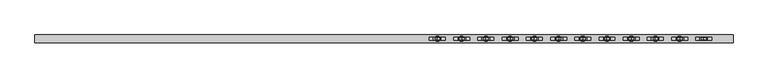
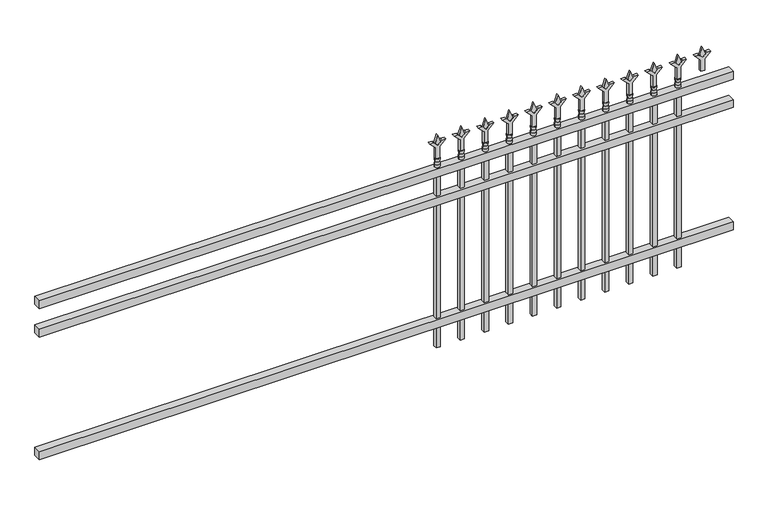
"""IFC4 building model written with IfcOpenShell, lengths in millimetres: railing geometry."""

from ifc_helpers import new_model, si_unit, frame, origin, place, context, project, spatial, polyline, circle_curve, outline, extrude, source, transform, mapped, element, save
from ifc_brep_helpers import plane_surface, cylinder_surface, revolved_surface, advanced_brep


def railing_b0672927(model_context):
    return source(origin(), model_context, "Body", "SolidModel", [
        extrude(outline(polyline([(-85729.318087, -3091.1195174), (-85729.318087, -3056.1945174), (-82579.718087, -3056.1945174), (-82579.718087, -3091.1195174), (-85729.318087, -3091.1195174)])), frame((0.0, 0.0, 876.3), z_axis=(0.0, 0.0, 1.0), x_axis=(1.0, 0.0, 0.0)), (0.0, 0.0, 1.0), 38.1),
        extrude(outline(polyline([(-85729.318087, -3091.1195174), (-85729.318087, -3056.1945174), (-82579.718087, -3056.1945174), (-82579.718087, -3091.1195174), (-85729.318087, -3091.1195174)])), frame((0.0, 0.0, 739.775), z_axis=(0.0, 0.0, 1.0), x_axis=(1.0, 0.0, 0.0)), (0.0, 0.0, 1.0), 38.1),
        extrude(outline(polyline([(-85729.318087, -3091.1195174), (-85729.318087, -3056.1945174), (-82579.718087, -3056.1945174), (-82579.718087, -3091.1195174), (-85729.318087, -3091.1195174)])), frame((0.0, 0.0, 152.4), z_axis=(0.0, 0.0, 1.0), x_axis=(1.0, 0.0, 0.0)), (0.0, 0.0, 1.0), 38.1),
        extrude(outline(polyline([(1031.08125, -82808.8472536), (1066.8, -82820.7535036), (1031.08125, -82832.6597536), (1019.175, -82820.7535036), (1031.08125, -82808.8472536)])), frame((0.0, -3078.4195174, 0.0), z_axis=(0.0, 1.0, 0.0), x_axis=(0.0, 0.0, 1.0)), (0.0, 0.0, 1.0), 9.525),
        extrude(outline(polyline([(955.675, -82812.0222536), (1009.9457378, -82812.0222536), (1037.1355122, -82784.8324791), (1037.1355122, -82802.7929914), (1019.175, -82820.7535036), (1037.1355122, -82838.7140159), (1037.1355122, -82856.6745281), (1009.9457378, -82829.4847536), (955.675, -82829.4847536), (955.675, -82812.0222536)])), frame((0.0, -3080.0070174, 0.0), z_axis=(0.0, 1.0, 0.0), x_axis=(0.0, 0.0, 1.0)), (0.0, 0.0, 1.0), 12.7),
        advanced_brep(
        [(-82808.8472536, -3073.6570174, 927.1), (-82832.6597536, -3073.6570174, 927.1), (-82832.6597536, -3073.6570174, 914.4), (-82808.8472536, -3073.6570174, 914.4), (-82811.0525855, -3073.6570174, 939.6070585), (-82830.4544218, -3073.6570174, 939.6070585), (-82808.8472536, -3073.6570174, 955.675), (-82832.6597536, -3073.6570174, 955.675), (-82820.7535036, -3073.6570174, 955.675), (-82820.7535036, -3073.6570174, 914.4)],
        [
            (0, 1, circle_curve(frame((-82820.7535036, -3073.6570174, 927.1), z_axis=(0.0, 0.0, -1.0), x_axis=(-1.0, 0.0, 0.0)), 11.90625)),
            (1, 2),
            (2, 3, circle_curve(frame((-82820.7535036, -3073.6570174, 914.4), z_axis=(0.0, 0.0, 1.0), x_axis=(-1.0, 0.0, 0.0)), 11.90625)),
            (3, 0),
            (1, 0, circle_curve(frame((-82820.7535036, -3073.6570174, 927.1), z_axis=(0.0, 0.0, -1.0), x_axis=(-1.0, 0.0, 0.0)), 11.90625)),
            (3, 2, circle_curve(frame((-82820.7535036, -3073.6570174, 914.4), z_axis=(0.0, 0.0, 1.0), x_axis=(-1.0, 0.0, 0.0)), 11.90625)),
            (4, 5, circle_curve(frame((-82820.7535036, -3073.6570174, 939.6070585), z_axis=(0.0, 0.0, -1.0), x_axis=(-1.0, 0.0, 0.0)), 9.7009181)),
            (5, 1),
            (0, 4),
            (5, 4, circle_curve(frame((-82820.7535036, -3073.6570174, 939.6070585), z_axis=(0.0, 0.0, -1.0), x_axis=(-1.0, 0.0, 0.0)), 9.7009181)),
            (6, 7, circle_curve(frame((-82820.7535036, -3073.6570174, 955.675), z_axis=(0.0, 0.0, -1.0), x_axis=(-1.0, 0.0, 0.0)), 11.90625)),
            (7, 5),
            (4, 6),
            (7, 6, circle_curve(frame((-82820.7535036, -3073.6570174, 955.675), z_axis=(0.0, 0.0, -1.0), x_axis=(-1.0, 0.0, 0.0)), 11.90625)),
            (8, 7),
            (6, 8),
            (2, 9),
            (9, 3),
        ],
        [
            cylinder_surface(frame((-82820.7535036, -3073.6570174, 914.4), z_axis=(0.0, 0.0, 1.0), x_axis=(-1.0, 0.0, 0.0)), 11.90625),
            revolved_surface(polyline([(-82832.6597536, -3073.6570174, 927.1), (-82830.4544218, -3073.6570174, 939.6070585)]), (-82820.7535036, -3073.6570174, 914.4), (0.0, 0.0, 1.0)),
            revolved_surface(polyline([(-82830.4544218, -3073.6570174, 939.6070585), (-82832.6597536, -3073.6570174, 955.675)]), (-82820.7535036, -3073.6570174, 914.4), (0.0, 0.0, 1.0)),
            plane_surface(frame((-82820.7535036, -3073.6570174, 955.675), z_axis=(0.0, 0.0, 1.0), x_axis=(-1.0, 0.0, 0.0))),
            plane_surface(frame((-82820.7535036, -3073.6570174, 914.4), z_axis=(0.0, 0.0, -1.0), x_axis=(-1.0, 0.0, 0.0))),
        ],
        [
            (0, [[1, 2, 3, 4]]),
            (0, [[5, -4, 6, -2]]),
            (1, [[7, 8, -1, 9]]),
            (1, [[10, -9, -5, -8]]),
            (2, [[11, 12, -7, 13]]),
            (2, [[14, -13, -10, -12]]),
            (3, [[15, -11, 16]]),
            (3, [[-16, -14, -15]]),
            (4, [[-3, 17, 18]]),
            (4, [[-6, -18, -17]]),
        ],
    ),
        extrude(outline(polyline([(-82830.2785036, -3064.1320174), (-82811.2285036, -3064.1320174), (-82811.2285036, -3083.1820174), (-82830.2785036, -3083.1820174), (-82830.2785036, -3064.1320174)])), frame((0.0, 0.0, 50.8), z_axis=(0.0, 0.0, 1.0), x_axis=(1.0, 0.0, 0.0)), (0.0, 0.0, 1.0), 863.6),
        extrude(outline(polyline([(1031.08125, -82918.1201703), (1066.8, -82930.0264203), (1031.08125, -82941.9326703), (1019.175, -82930.0264203), (1031.08125, -82918.1201703)])), frame((0.0, -3078.4195174, 0.0), z_axis=(0.0, 1.0, 0.0), x_axis=(0.0, 0.0, 1.0)), (0.0, 0.0, 1.0), 9.525),
        extrude(outline(polyline([(955.675, -82921.2951703), (1009.9457378, -82921.2951703), (1037.1355122, -82894.1053958), (1037.1355122, -82912.0659081), (1019.175, -82930.0264203), (1037.1355122, -82947.9869325), (1037.1355122, -82965.9474448), (1009.9457378, -82938.7576703), (955.675, -82938.7576703), (955.675, -82921.2951703)])), frame((0.0, -3080.0070174, 0.0), z_axis=(0.0, 1.0, 0.0), x_axis=(0.0, 0.0, 1.0)), (0.0, 0.0, 1.0), 12.7),
        advanced_brep(
        [(-82918.1201703, -3073.6570174, 927.1), (-82941.9326703, -3073.6570174, 927.1), (-82941.9326703, -3073.6570174, 914.4), (-82918.1201703, -3073.6570174, 914.4), (-82920.3255022, -3073.6570174, 939.6070585), (-82939.7273384, -3073.6570174, 939.6070585), (-82918.1201703, -3073.6570174, 955.675), (-82941.9326703, -3073.6570174, 955.675), (-82930.0264203, -3073.6570174, 955.675), (-82930.0264203, -3073.6570174, 914.4)],
        [
            (0, 1, circle_curve(frame((-82930.0264203, -3073.6570174, 927.1), z_axis=(0.0, 0.0, -1.0), x_axis=(-1.0, 0.0, 0.0)), 11.90625)),
            (1, 2),
            (2, 3, circle_curve(frame((-82930.0264203, -3073.6570174, 914.4), z_axis=(0.0, 0.0, 1.0), x_axis=(-1.0, 0.0, 0.0)), 11.90625)),
            (3, 0),
            (1, 0, circle_curve(frame((-82930.0264203, -3073.6570174, 927.1), z_axis=(0.0, 0.0, -1.0), x_axis=(-1.0, 0.0, 0.0)), 11.90625)),
            (3, 2, circle_curve(frame((-82930.0264203, -3073.6570174, 914.4), z_axis=(0.0, 0.0, 1.0), x_axis=(-1.0, 0.0, 0.0)), 11.90625)),
            (4, 5, circle_curve(frame((-82930.0264203, -3073.6570174, 939.6070585), z_axis=(0.0, 0.0, -1.0), x_axis=(-1.0, 0.0, 0.0)), 9.7009181)),
            (5, 1),
            (0, 4),
            (5, 4, circle_curve(frame((-82930.0264203, -3073.6570174, 939.6070585), z_axis=(0.0, 0.0, -1.0), x_axis=(-1.0, 0.0, 0.0)), 9.7009181)),
            (6, 7, circle_curve(frame((-82930.0264203, -3073.6570174, 955.675), z_axis=(0.0, 0.0, -1.0), x_axis=(-1.0, 0.0, 0.0)), 11.90625)),
            (7, 5),
            (4, 6),
            (7, 6, circle_curve(frame((-82930.0264203, -3073.6570174, 955.675), z_axis=(0.0, 0.0, -1.0), x_axis=(-1.0, 0.0, 0.0)), 11.90625)),
            (8, 7),
            (6, 8),
            (2, 9),
            (9, 3),
        ],
        [
            cylinder_surface(frame((-82930.0264203, -3073.6570174, 914.4), z_axis=(0.0, 0.0, 1.0), x_axis=(-1.0, 0.0, 0.0)), 11.90625),
            revolved_surface(polyline([(-82941.9326703, -3073.6570174, 927.1), (-82939.7273384, -3073.6570174, 939.6070585)]), (-82930.0264203, -3073.6570174, 914.4), (0.0, 0.0, 1.0)),
            revolved_surface(polyline([(-82939.7273384, -3073.6570174, 939.6070585), (-82941.9326703, -3073.6570174, 955.675)]), (-82930.0264203, -3073.6570174, 914.4), (0.0, 0.0, 1.0)),
            plane_surface(frame((-82930.0264203, -3073.6570174, 955.675), z_axis=(0.0, 0.0, 1.0), x_axis=(-1.0, 0.0, 0.0))),
            plane_surface(frame((-82930.0264203, -3073.6570174, 914.4), z_axis=(0.0, 0.0, -1.0), x_axis=(-1.0, 0.0, 0.0))),
        ],
        [
            (0, [[1, 2, 3, 4]]),
            (0, [[5, -4, 6, -2]]),
            (1, [[7, 8, -1, 9]]),
            (1, [[10, -9, -5, -8]]),
            (2, [[11, 12, -7, 13]]),
            (2, [[14, -13, -10, -12]]),
            (3, [[15, -11, 16]]),
            (3, [[-16, -14, -15]]),
            (4, [[-3, 17, 18]]),
            (4, [[-6, -18, -17]]),
        ],
    ),
        extrude(outline(polyline([(-82939.5514203, -3064.1320174), (-82920.5014203, -3064.1320174), (-82920.5014203, -3083.1820174), (-82939.5514203, -3083.1820174), (-82939.5514203, -3064.1320174)])), frame((0.0, 0.0, 50.8), z_axis=(0.0, 0.0, 1.0), x_axis=(1.0, 0.0, 0.0)), (0.0, 0.0, 1.0), 863.6),
        extrude(outline(polyline([(1031.08125, -83027.393087), (1066.8, -83039.299337), (1031.08125, -83051.205587), (1019.175, -83039.299337), (1031.08125, -83027.393087)])), frame((0.0, -3078.4195174, 0.0), z_axis=(0.0, 1.0, 0.0), x_axis=(0.0, 0.0, 1.0)), (0.0, 0.0, 1.0), 9.525),
        extrude(outline(polyline([(955.675, -83030.568087), (1009.9457378, -83030.568087), (1037.1355122, -83003.3783125), (1037.1355122, -83021.3388247), (1019.175, -83039.299337), (1037.1355122, -83057.2598492), (1037.1355122, -83075.2203614), (1009.9457378, -83048.030587), (955.675, -83048.030587), (955.675, -83030.568087)])), frame((0.0, -3080.0070174, 0.0), z_axis=(0.0, 1.0, 0.0), x_axis=(0.0, 0.0, 1.0)), (0.0, 0.0, 1.0), 12.7),
        advanced_brep(
        [(-83027.393087, -3073.6570174, 927.1), (-83051.205587, -3073.6570174, 927.1), (-83051.205587, -3073.6570174, 914.4), (-83027.393087, -3073.6570174, 914.4), (-83029.5984188, -3073.6570174, 939.6070585), (-83049.0002551, -3073.6570174, 939.6070585), (-83027.393087, -3073.6570174, 955.675), (-83051.205587, -3073.6570174, 955.675), (-83039.299337, -3073.6570174, 955.675), (-83039.299337, -3073.6570174, 914.4)],
        [
            (0, 1, circle_curve(frame((-83039.299337, -3073.6570174, 927.1), z_axis=(0.0, 0.0, -1.0), x_axis=(-1.0, 0.0, 0.0)), 11.90625)),
            (1, 2),
            (2, 3, circle_curve(frame((-83039.299337, -3073.6570174, 914.4), z_axis=(0.0, 0.0, 1.0), x_axis=(-1.0, 0.0, 0.0)), 11.90625)),
            (3, 0),
            (1, 0, circle_curve(frame((-83039.299337, -3073.6570174, 927.1), z_axis=(0.0, 0.0, -1.0), x_axis=(-1.0, 0.0, 0.0)), 11.90625)),
            (3, 2, circle_curve(frame((-83039.299337, -3073.6570174, 914.4), z_axis=(0.0, 0.0, 1.0), x_axis=(-1.0, 0.0, 0.0)), 11.90625)),
            (4, 5, circle_curve(frame((-83039.299337, -3073.6570174, 939.6070585), z_axis=(0.0, 0.0, -1.0), x_axis=(-1.0, 0.0, 0.0)), 9.7009181)),
            (5, 1),
            (0, 4),
            (5, 4, circle_curve(frame((-83039.299337, -3073.6570174, 939.6070585), z_axis=(0.0, 0.0, -1.0), x_axis=(-1.0, 0.0, 0.0)), 9.7009181)),
            (6, 7, circle_curve(frame((-83039.299337, -3073.6570174, 955.675), z_axis=(0.0, 0.0, -1.0), x_axis=(-1.0, 0.0, 0.0)), 11.90625)),
            (7, 5),
            (4, 6),
            (7, 6, circle_curve(frame((-83039.299337, -3073.6570174, 955.675), z_axis=(0.0, 0.0, -1.0), x_axis=(-1.0, 0.0, 0.0)), 11.90625)),
            (8, 7),
            (6, 8),
            (2, 9),
            (9, 3),
        ],
        [
            cylinder_surface(frame((-83039.299337, -3073.6570174, 914.4), z_axis=(0.0, 0.0, 1.0), x_axis=(-1.0, 0.0, 0.0)), 11.90625),
            revolved_surface(polyline([(-83051.205587, -3073.6570174, 927.1), (-83049.0002551, -3073.6570174, 939.6070585)]), (-83039.299337, -3073.6570174, 914.4), (0.0, 0.0, 1.0)),
            revolved_surface(polyline([(-83049.0002551, -3073.6570174, 939.6070585), (-83051.205587, -3073.6570174, 955.675)]), (-83039.299337, -3073.6570174, 914.4), (0.0, 0.0, 1.0)),
            plane_surface(frame((-83039.299337, -3073.6570174, 955.675), z_axis=(0.0, 0.0, 1.0), x_axis=(-1.0, 0.0, 0.0))),
            plane_surface(frame((-83039.299337, -3073.6570174, 914.4), z_axis=(0.0, 0.0, -1.0), x_axis=(-1.0, 0.0, 0.0))),
        ],
        [
            (0, [[1, 2, 3, 4]]),
            (0, [[5, -4, 6, -2]]),
            (1, [[7, 8, -1, 9]]),
            (1, [[10, -9, -5, -8]]),
            (2, [[11, 12, -7, 13]]),
            (2, [[14, -13, -10, -12]]),
            (3, [[15, -11, 16]]),
            (3, [[-16, -14, -15]]),
            (4, [[-3, 17, 18]]),
            (4, [[-6, -18, -17]]),
        ],
    ),
        extrude(outline(polyline([(-83048.824337, -3064.1320174), (-83029.774337, -3064.1320174), (-83029.774337, -3083.1820174), (-83048.824337, -3083.1820174), (-83048.824337, -3064.1320174)])), frame((0.0, 0.0, 50.8), z_axis=(0.0, 0.0, 1.0), x_axis=(1.0, 0.0, 0.0)), (0.0, 0.0, 1.0), 863.6),
        extrude(outline(polyline([(1031.08125, -83136.6660036), (1066.8, -83148.5722536), (1031.08125, -83160.4785036), (1019.175, -83148.5722536), (1031.08125, -83136.6660036)])), frame((0.0, -3078.4195174, 0.0), z_axis=(0.0, 1.0, 0.0), x_axis=(0.0, 0.0, 1.0)), (0.0, 0.0, 1.0), 9.525),
        extrude(outline(polyline([(955.675, -83139.8410036), (1009.9457378, -83139.8410036), (1037.1355122, -83112.6512291), (1037.1355122, -83130.6117414), (1019.175, -83148.5722536), (1037.1355122, -83166.5327659), (1037.1355122, -83184.4932781), (1009.9457378, -83157.3035036), (955.675, -83157.3035036), (955.675, -83139.8410036)])), frame((0.0, -3080.0070174, 0.0), z_axis=(0.0, 1.0, 0.0), x_axis=(0.0, 0.0, 1.0)), (0.0, 0.0, 1.0), 12.7),
        advanced_brep(
        [(-83136.6660036, -3073.6570174, 927.1), (-83160.4785036, -3073.6570174, 927.1), (-83160.4785036, -3073.6570174, 914.4), (-83136.6660036, -3073.6570174, 914.4), (-83138.8713355, -3073.6570174, 939.6070585), (-83158.2731718, -3073.6570174, 939.6070585), (-83136.6660036, -3073.6570174, 955.675), (-83160.4785036, -3073.6570174, 955.675), (-83148.5722536, -3073.6570174, 955.675), (-83148.5722536, -3073.6570174, 914.4)],
        [
            (0, 1, circle_curve(frame((-83148.5722536, -3073.6570174, 927.1), z_axis=(0.0, 0.0, -1.0), x_axis=(-1.0, 0.0, 0.0)), 11.90625)),
            (1, 2),
            (2, 3, circle_curve(frame((-83148.5722536, -3073.6570174, 914.4), z_axis=(0.0, 0.0, 1.0), x_axis=(-1.0, 0.0, 0.0)), 11.90625)),
            (3, 0),
            (1, 0, circle_curve(frame((-83148.5722536, -3073.6570174, 927.1), z_axis=(0.0, 0.0, -1.0), x_axis=(-1.0, 0.0, 0.0)), 11.90625)),
            (3, 2, circle_curve(frame((-83148.5722536, -3073.6570174, 914.4), z_axis=(0.0, 0.0, 1.0), x_axis=(-1.0, 0.0, 0.0)), 11.90625)),
            (4, 5, circle_curve(frame((-83148.5722536, -3073.6570174, 939.6070585), z_axis=(0.0, 0.0, -1.0), x_axis=(-1.0, 0.0, 0.0)), 9.7009181)),
            (5, 1),
            (0, 4),
            (5, 4, circle_curve(frame((-83148.5722536, -3073.6570174, 939.6070585), z_axis=(0.0, 0.0, -1.0), x_axis=(-1.0, 0.0, 0.0)), 9.7009181)),
            (6, 7, circle_curve(frame((-83148.5722536, -3073.6570174, 955.675), z_axis=(0.0, 0.0, -1.0), x_axis=(-1.0, 0.0, 0.0)), 11.90625)),
            (7, 5),
            (4, 6),
            (7, 6, circle_curve(frame((-83148.5722536, -3073.6570174, 955.675), z_axis=(0.0, 0.0, -1.0), x_axis=(-1.0, 0.0, 0.0)), 11.90625)),
            (8, 7),
            (6, 8),
            (2, 9),
            (9, 3),
        ],
        [
            cylinder_surface(frame((-83148.5722536, -3073.6570174, 914.4), z_axis=(0.0, 0.0, 1.0), x_axis=(-1.0, 0.0, 0.0)), 11.90625),
            revolved_surface(polyline([(-83160.4785036, -3073.6570174, 927.1), (-83158.2731718, -3073.6570174, 939.6070585)]), (-83148.5722536, -3073.6570174, 914.4), (0.0, 0.0, 1.0)),
            revolved_surface(polyline([(-83158.2731718, -3073.6570174, 939.6070585), (-83160.4785036, -3073.6570174, 955.675)]), (-83148.5722536, -3073.6570174, 914.4), (0.0, 0.0, 1.0)),
            plane_surface(frame((-83148.5722536, -3073.6570174, 955.675), z_axis=(0.0, 0.0, 1.0), x_axis=(-1.0, 0.0, 0.0))),
            plane_surface(frame((-83148.5722536, -3073.6570174, 914.4), z_axis=(0.0, 0.0, -1.0), x_axis=(-1.0, 0.0, 0.0))),
        ],
        [
            (0, [[1, 2, 3, 4]]),
            (0, [[5, -4, 6, -2]]),
            (1, [[7, 8, -1, 9]]),
            (1, [[10, -9, -5, -8]]),
            (2, [[11, 12, -7, 13]]),
            (2, [[14, -13, -10, -12]]),
            (3, [[15, -11, 16]]),
            (3, [[-16, -14, -15]]),
            (4, [[-3, 17, 18]]),
            (4, [[-6, -18, -17]]),
        ],
    ),
        extrude(outline(polyline([(-83158.0972536, -3064.1320174), (-83139.0472536, -3064.1320174), (-83139.0472536, -3083.1820174), (-83158.0972536, -3083.1820174), (-83158.0972536, -3064.1320174)])), frame((0.0, 0.0, 50.8), z_axis=(0.0, 0.0, 1.0), x_axis=(1.0, 0.0, 0.0)), (0.0, 0.0, 1.0), 863.6),
        extrude(outline(polyline([(1031.08125, -83245.9389203), (1066.8, -83257.8451703), (1031.08125, -83269.7514203), (1019.175, -83257.8451703), (1031.08125, -83245.9389203)])), frame((0.0, -3078.4195174, 0.0), z_axis=(0.0, 1.0, 0.0), x_axis=(0.0, 0.0, 1.0)), (0.0, 0.0, 1.0), 9.525),
        extrude(outline(polyline([(955.675, -83249.1139203), (1009.9457378, -83249.1139203), (1037.1355122, -83221.9241458), (1037.1355122, -83239.8846581), (1019.175, -83257.8451703), (1037.1355122, -83275.8056825), (1037.1355122, -83293.7661948), (1009.9457378, -83266.5764203), (955.675, -83266.5764203), (955.675, -83249.1139203)])), frame((0.0, -3080.0070174, 0.0), z_axis=(0.0, 1.0, 0.0), x_axis=(0.0, 0.0, 1.0)), (0.0, 0.0, 1.0), 12.7),
        advanced_brep(
        [(-83245.9389203, -3073.6570174, 927.1), (-83269.7514203, -3073.6570174, 927.1), (-83269.7514203, -3073.6570174, 914.4), (-83245.9389203, -3073.6570174, 914.4), (-83248.1442522, -3073.6570174, 939.6070585), (-83267.5460884, -3073.6570174, 939.6070585), (-83245.9389203, -3073.6570174, 955.675), (-83269.7514203, -3073.6570174, 955.675), (-83257.8451703, -3073.6570174, 955.675), (-83257.8451703, -3073.6570174, 914.4)],
        [
            (0, 1, circle_curve(frame((-83257.8451703, -3073.6570174, 927.1), z_axis=(0.0, 0.0, -1.0), x_axis=(-1.0, 0.0, 0.0)), 11.90625)),
            (1, 2),
            (2, 3, circle_curve(frame((-83257.8451703, -3073.6570174, 914.4), z_axis=(0.0, 0.0, 1.0), x_axis=(-1.0, 0.0, 0.0)), 11.90625)),
            (3, 0),
            (1, 0, circle_curve(frame((-83257.8451703, -3073.6570174, 927.1), z_axis=(0.0, 0.0, -1.0), x_axis=(-1.0, 0.0, 0.0)), 11.90625)),
            (3, 2, circle_curve(frame((-83257.8451703, -3073.6570174, 914.4), z_axis=(0.0, 0.0, 1.0), x_axis=(-1.0, 0.0, 0.0)), 11.90625)),
            (4, 5, circle_curve(frame((-83257.8451703, -3073.6570174, 939.6070585), z_axis=(0.0, 0.0, -1.0), x_axis=(-1.0, 0.0, 0.0)), 9.7009181)),
            (5, 1),
            (0, 4),
            (5, 4, circle_curve(frame((-83257.8451703, -3073.6570174, 939.6070585), z_axis=(0.0, 0.0, -1.0), x_axis=(-1.0, 0.0, 0.0)), 9.7009181)),
            (6, 7, circle_curve(frame((-83257.8451703, -3073.6570174, 955.675), z_axis=(0.0, 0.0, -1.0), x_axis=(-1.0, 0.0, 0.0)), 11.90625)),
            (7, 5),
            (4, 6),
            (7, 6, circle_curve(frame((-83257.8451703, -3073.6570174, 955.675), z_axis=(0.0, 0.0, -1.0), x_axis=(-1.0, 0.0, 0.0)), 11.90625)),
            (8, 7),
            (6, 8),
            (2, 9),
            (9, 3),
        ],
        [
            cylinder_surface(frame((-83257.8451703, -3073.6570174, 914.4), z_axis=(0.0, 0.0, 1.0), x_axis=(-1.0, 0.0, 0.0)), 11.90625),
            revolved_surface(polyline([(-83269.7514203, -3073.6570174, 927.1), (-83267.5460884, -3073.6570174, 939.6070585)]), (-83257.8451703, -3073.6570174, 914.4), (0.0, 0.0, 1.0)),
            revolved_surface(polyline([(-83267.5460884, -3073.6570174, 939.6070585), (-83269.7514203, -3073.6570174, 955.675)]), (-83257.8451703, -3073.6570174, 914.4), (0.0, 0.0, 1.0)),
            plane_surface(frame((-83257.8451703, -3073.6570174, 955.675), z_axis=(0.0, 0.0, 1.0), x_axis=(-1.0, 0.0, 0.0))),
            plane_surface(frame((-83257.8451703, -3073.6570174, 914.4), z_axis=(0.0, 0.0, -1.0), x_axis=(-1.0, 0.0, 0.0))),
        ],
        [
            (0, [[1, 2, 3, 4]]),
            (0, [[5, -4, 6, -2]]),
            (1, [[7, 8, -1, 9]]),
            (1, [[10, -9, -5, -8]]),
            (2, [[11, 12, -7, 13]]),
            (2, [[14, -13, -10, -12]]),
            (3, [[15, -11, 16]]),
            (3, [[-16, -14, -15]]),
            (4, [[-3, 17, 18]]),
            (4, [[-6, -18, -17]]),
        ],
    ),
        extrude(outline(polyline([(-83267.3701703, -3064.1320174), (-83248.3201703, -3064.1320174), (-83248.3201703, -3083.1820174), (-83267.3701703, -3083.1820174), (-83267.3701703, -3064.1320174)])), frame((0.0, 0.0, 50.8), z_axis=(0.0, 0.0, 1.0), x_axis=(1.0, 0.0, 0.0)), (0.0, 0.0, 1.0), 863.6),
        extrude(outline(polyline([(1031.08125, -83355.211837), (1066.8, -83367.118087), (1031.08125, -83379.024337), (1019.175, -83367.118087), (1031.08125, -83355.211837)])), frame((0.0, -3078.4195174, 0.0), z_axis=(0.0, 1.0, 0.0), x_axis=(0.0, 0.0, 1.0)), (0.0, 0.0, 1.0), 9.525),
        extrude(outline(polyline([(955.675, -83358.386837), (1009.9457378, -83358.386837), (1037.1355122, -83331.1970625), (1037.1355122, -83349.1575747), (1019.175, -83367.118087), (1037.1355122, -83385.0785992), (1037.1355122, -83403.0391114), (1009.9457378, -83375.849337), (955.675, -83375.849337), (955.675, -83358.386837)])), frame((0.0, -3080.0070174, 0.0), z_axis=(0.0, 1.0, 0.0), x_axis=(0.0, 0.0, 1.0)), (0.0, 0.0, 1.0), 12.7),
        advanced_brep(
        [(-83355.211837, -3073.6570174, 927.1), (-83379.024337, -3073.6570174, 927.1), (-83379.024337, -3073.6570174, 914.4), (-83355.211837, -3073.6570174, 914.4), (-83357.4171688, -3073.6570174, 939.6070585), (-83376.8190051, -3073.6570174, 939.6070585), (-83355.211837, -3073.6570174, 955.675), (-83379.024337, -3073.6570174, 955.675), (-83367.118087, -3073.6570174, 955.675), (-83367.118087, -3073.6570174, 914.4)],
        [
            (0, 1, circle_curve(frame((-83367.118087, -3073.6570174, 927.1), z_axis=(0.0, 0.0, -1.0), x_axis=(-1.0, 0.0, 0.0)), 11.90625)),
            (1, 2),
            (2, 3, circle_curve(frame((-83367.118087, -3073.6570174, 914.4), z_axis=(0.0, 0.0, 1.0), x_axis=(-1.0, 0.0, 0.0)), 11.90625)),
            (3, 0),
            (1, 0, circle_curve(frame((-83367.118087, -3073.6570174, 927.1), z_axis=(0.0, 0.0, -1.0), x_axis=(-1.0, 0.0, 0.0)), 11.90625)),
            (3, 2, circle_curve(frame((-83367.118087, -3073.6570174, 914.4), z_axis=(0.0, 0.0, 1.0), x_axis=(-1.0, 0.0, 0.0)), 11.90625)),
            (4, 5, circle_curve(frame((-83367.118087, -3073.6570174, 939.6070585), z_axis=(0.0, 0.0, -1.0), x_axis=(-1.0, 0.0, 0.0)), 9.7009181)),
            (5, 1),
            (0, 4),
            (5, 4, circle_curve(frame((-83367.118087, -3073.6570174, 939.6070585), z_axis=(0.0, 0.0, -1.0), x_axis=(-1.0, 0.0, 0.0)), 9.7009181)),
            (6, 7, circle_curve(frame((-83367.118087, -3073.6570174, 955.675), z_axis=(0.0, 0.0, -1.0), x_axis=(-1.0, 0.0, 0.0)), 11.90625)),
            (7, 5),
            (4, 6),
            (7, 6, circle_curve(frame((-83367.118087, -3073.6570174, 955.675), z_axis=(0.0, 0.0, -1.0), x_axis=(-1.0, 0.0, 0.0)), 11.90625)),
            (8, 7),
            (6, 8),
            (2, 9),
            (9, 3),
        ],
        [
            cylinder_surface(frame((-83367.118087, -3073.6570174, 914.4), z_axis=(0.0, 0.0, 1.0), x_axis=(-1.0, 0.0, 0.0)), 11.90625),
            revolved_surface(polyline([(-83379.024337, -3073.6570174, 927.1), (-83376.8190051, -3073.6570174, 939.6070585)]), (-83367.118087, -3073.6570174, 914.4), (0.0, 0.0, 1.0)),
            revolved_surface(polyline([(-83376.8190051, -3073.6570174, 939.6070585), (-83379.024337, -3073.6570174, 955.675)]), (-83367.118087, -3073.6570174, 914.4), (0.0, 0.0, 1.0)),
            plane_surface(frame((-83367.118087, -3073.6570174, 955.675), z_axis=(0.0, 0.0, 1.0), x_axis=(-1.0, 0.0, 0.0))),
            plane_surface(frame((-83367.118087, -3073.6570174, 914.4), z_axis=(0.0, 0.0, -1.0), x_axis=(-1.0, 0.0, 0.0))),
        ],
        [
            (0, [[1, 2, 3, 4]]),
            (0, [[5, -4, 6, -2]]),
            (1, [[7, 8, -1, 9]]),
            (1, [[10, -9, -5, -8]]),
            (2, [[11, 12, -7, 13]]),
            (2, [[14, -13, -10, -12]]),
            (3, [[15, -11, 16]]),
            (3, [[-16, -14, -15]]),
            (4, [[-3, 17, 18]]),
            (4, [[-6, -18, -17]]),
        ],
    ),
        extrude(outline(polyline([(-83376.643087, -3064.1320174), (-83357.593087, -3064.1320174), (-83357.593087, -3083.1820174), (-83376.643087, -3083.1820174), (-83376.643087, -3064.1320174)])), frame((0.0, 0.0, 50.8), z_axis=(0.0, 0.0, 1.0), x_axis=(1.0, 0.0, 0.0)), (0.0, 0.0, 1.0), 863.6),
        extrude(outline(polyline([(1031.08125, -83464.4847536), (1066.8, -83476.3910036), (1031.08125, -83488.2972536), (1019.175, -83476.3910036), (1031.08125, -83464.4847536)])), frame((0.0, -3078.4195174, 0.0), z_axis=(0.0, 1.0, 0.0), x_axis=(0.0, 0.0, 1.0)), (0.0, 0.0, 1.0), 9.525),
        extrude(outline(polyline([(955.675, -83467.6597536), (1009.9457378, -83467.6597536), (1037.1355122, -83440.4699791), (1037.1355122, -83458.4304914), (1019.175, -83476.3910036), (1037.1355122, -83494.3515159), (1037.1355122, -83512.3120281), (1009.9457378, -83485.1222536), (955.675, -83485.1222536), (955.675, -83467.6597536)])), frame((0.0, -3080.0070174, 0.0), z_axis=(0.0, 1.0, 0.0), x_axis=(0.0, 0.0, 1.0)), (0.0, 0.0, 1.0), 12.7),
        advanced_brep(
        [(-83464.4847536, -3073.6570174, 927.1), (-83488.2972536, -3073.6570174, 927.1), (-83488.2972536, -3073.6570174, 914.4), (-83464.4847536, -3073.6570174, 914.4), (-83466.6900855, -3073.6570174, 939.6070585), (-83486.0919218, -3073.6570174, 939.6070585), (-83464.4847536, -3073.6570174, 955.675), (-83488.2972536, -3073.6570174, 955.675), (-83476.3910036, -3073.6570174, 955.675), (-83476.3910036, -3073.6570174, 914.4)],
        [
            (0, 1, circle_curve(frame((-83476.3910036, -3073.6570174, 927.1), z_axis=(0.0, 0.0, -1.0), x_axis=(-1.0, 0.0, 0.0)), 11.90625)),
            (1, 2),
            (2, 3, circle_curve(frame((-83476.3910036, -3073.6570174, 914.4), z_axis=(0.0, 0.0, 1.0), x_axis=(-1.0, 0.0, 0.0)), 11.90625)),
            (3, 0),
            (1, 0, circle_curve(frame((-83476.3910036, -3073.6570174, 927.1), z_axis=(0.0, 0.0, -1.0), x_axis=(-1.0, 0.0, 0.0)), 11.90625)),
            (3, 2, circle_curve(frame((-83476.3910036, -3073.6570174, 914.4), z_axis=(0.0, 0.0, 1.0), x_axis=(-1.0, 0.0, 0.0)), 11.90625)),
            (4, 5, circle_curve(frame((-83476.3910036, -3073.6570174, 939.6070585), z_axis=(0.0, 0.0, -1.0), x_axis=(-1.0, 0.0, 0.0)), 9.7009181)),
            (5, 1),
            (0, 4),
            (5, 4, circle_curve(frame((-83476.3910036, -3073.6570174, 939.6070585), z_axis=(0.0, 0.0, -1.0), x_axis=(-1.0, 0.0, 0.0)), 9.7009181)),
            (6, 7, circle_curve(frame((-83476.3910036, -3073.6570174, 955.675), z_axis=(0.0, 0.0, -1.0), x_axis=(-1.0, 0.0, 0.0)), 11.90625)),
            (7, 5),
            (4, 6),
            (7, 6, circle_curve(frame((-83476.3910036, -3073.6570174, 955.675), z_axis=(0.0, 0.0, -1.0), x_axis=(-1.0, 0.0, 0.0)), 11.90625)),
            (8, 7),
            (6, 8),
            (2, 9),
            (9, 3),
        ],
        [
            cylinder_surface(frame((-83476.3910036, -3073.6570174, 914.4), z_axis=(0.0, 0.0, 1.0), x_axis=(-1.0, 0.0, 0.0)), 11.90625),
            revolved_surface(polyline([(-83488.2972536, -3073.6570174, 927.1), (-83486.0919218, -3073.6570174, 939.6070585)]), (-83476.3910036, -3073.6570174, 914.4), (0.0, 0.0, 1.0)),
            revolved_surface(polyline([(-83486.0919218, -3073.6570174, 939.6070585), (-83488.2972536, -3073.6570174, 955.675)]), (-83476.3910036, -3073.6570174, 914.4), (0.0, 0.0, 1.0)),
            plane_surface(frame((-83476.3910036, -3073.6570174, 955.675), z_axis=(0.0, 0.0, 1.0), x_axis=(-1.0, 0.0, 0.0))),
            plane_surface(frame((-83476.3910036, -3073.6570174, 914.4), z_axis=(0.0, 0.0, -1.0), x_axis=(-1.0, 0.0, 0.0))),
        ],
        [
            (0, [[1, 2, 3, 4]]),
            (0, [[5, -4, 6, -2]]),
            (1, [[7, 8, -1, 9]]),
            (1, [[10, -9, -5, -8]]),
            (2, [[11, 12, -7, 13]]),
            (2, [[14, -13, -10, -12]]),
            (3, [[15, -11, 16]]),
            (3, [[-16, -14, -15]]),
            (4, [[-3, 17, 18]]),
            (4, [[-6, -18, -17]]),
        ],
    ),
        extrude(outline(polyline([(-83485.9160036, -3064.1320174), (-83466.8660036, -3064.1320174), (-83466.8660036, -3083.1820174), (-83485.9160036, -3083.1820174), (-83485.9160036, -3064.1320174)])), frame((0.0, 0.0, 50.8), z_axis=(0.0, 0.0, 1.0), x_axis=(1.0, 0.0, 0.0)), (0.0, 0.0, 1.0), 863.6),
        extrude(outline(polyline([(1031.08125, -83573.7576703), (1066.8, -83585.6639203), (1031.08125, -83597.5701703), (1019.175, -83585.6639203), (1031.08125, -83573.7576703)])), frame((0.0, -3078.4195174, 0.0), z_axis=(0.0, 1.0, 0.0), x_axis=(0.0, 0.0, 1.0)), (0.0, 0.0, 1.0), 9.525),
        extrude(outline(polyline([(955.675, -83576.9326703), (1009.9457378, -83576.9326703), (1037.1355122, -83549.7428958), (1037.1355122, -83567.7034081), (1019.175, -83585.6639203), (1037.1355122, -83603.6244325), (1037.1355122, -83621.5849448), (1009.9457378, -83594.3951703), (955.675, -83594.3951703), (955.675, -83576.9326703)])), frame((0.0, -3080.0070174, 0.0), z_axis=(0.0, 1.0, 0.0), x_axis=(0.0, 0.0, 1.0)), (0.0, 0.0, 1.0), 12.7),
        advanced_brep(
        [(-83573.7576703, -3073.6570174, 927.1), (-83597.5701703, -3073.6570174, 927.1), (-83597.5701703, -3073.6570174, 914.4), (-83573.7576703, -3073.6570174, 914.4), (-83575.9630022, -3073.6570174, 939.6070585), (-83595.3648384, -3073.6570174, 939.6070585), (-83573.7576703, -3073.6570174, 955.675), (-83597.5701703, -3073.6570174, 955.675), (-83585.6639203, -3073.6570174, 955.675), (-83585.6639203, -3073.6570174, 914.4)],
        [
            (0, 1, circle_curve(frame((-83585.6639203, -3073.6570174, 927.1), z_axis=(0.0, 0.0, -1.0), x_axis=(-1.0, 0.0, 0.0)), 11.90625)),
            (1, 2),
            (2, 3, circle_curve(frame((-83585.6639203, -3073.6570174, 914.4), z_axis=(0.0, 0.0, 1.0), x_axis=(-1.0, 0.0, 0.0)), 11.90625)),
            (3, 0),
            (1, 0, circle_curve(frame((-83585.6639203, -3073.6570174, 927.1), z_axis=(0.0, 0.0, -1.0), x_axis=(-1.0, 0.0, 0.0)), 11.90625)),
            (3, 2, circle_curve(frame((-83585.6639203, -3073.6570174, 914.4), z_axis=(0.0, 0.0, 1.0), x_axis=(-1.0, 0.0, 0.0)), 11.90625)),
            (4, 5, circle_curve(frame((-83585.6639203, -3073.6570174, 939.6070585), z_axis=(0.0, 0.0, -1.0), x_axis=(-1.0, 0.0, 0.0)), 9.7009181)),
            (5, 1),
            (0, 4),
            (5, 4, circle_curve(frame((-83585.6639203, -3073.6570174, 939.6070585), z_axis=(0.0, 0.0, -1.0), x_axis=(-1.0, 0.0, 0.0)), 9.7009181)),
            (6, 7, circle_curve(frame((-83585.6639203, -3073.6570174, 955.675), z_axis=(0.0, 0.0, -1.0), x_axis=(-1.0, 0.0, 0.0)), 11.90625)),
            (7, 5),
            (4, 6),
            (7, 6, circle_curve(frame((-83585.6639203, -3073.6570174, 955.675), z_axis=(0.0, 0.0, -1.0), x_axis=(-1.0, 0.0, 0.0)), 11.90625)),
            (8, 7),
            (6, 8),
            (2, 9),
            (9, 3),
        ],
        [
            cylinder_surface(frame((-83585.6639203, -3073.6570174, 914.4), z_axis=(0.0, 0.0, 1.0), x_axis=(-1.0, 0.0, 0.0)), 11.90625),
            revolved_surface(polyline([(-83597.5701703, -3073.6570174, 927.1), (-83595.3648384, -3073.6570174, 939.6070585)]), (-83585.6639203, -3073.6570174, 914.4), (0.0, 0.0, 1.0)),
            revolved_surface(polyline([(-83595.3648384, -3073.6570174, 939.6070585), (-83597.5701703, -3073.6570174, 955.675)]), (-83585.6639203, -3073.6570174, 914.4), (0.0, 0.0, 1.0)),
            plane_surface(frame((-83585.6639203, -3073.6570174, 955.675), z_axis=(0.0, 0.0, 1.0), x_axis=(-1.0, 0.0, 0.0))),
            plane_surface(frame((-83585.6639203, -3073.6570174, 914.4), z_axis=(0.0, 0.0, -1.0), x_axis=(-1.0, 0.0, 0.0))),
        ],
        [
            (0, [[1, 2, 3, 4]]),
            (0, [[5, -4, 6, -2]]),
            (1, [[7, 8, -1, 9]]),
            (1, [[10, -9, -5, -8]]),
            (2, [[11, 12, -7, 13]]),
            (2, [[14, -13, -10, -12]]),
            (3, [[15, -11, 16]]),
            (3, [[-16, -14, -15]]),
            (4, [[-3, 17, 18]]),
            (4, [[-6, -18, -17]]),
        ],
    ),
        extrude(outline(polyline([(-83595.1889203, -3064.1320174), (-83576.1389203, -3064.1320174), (-83576.1389203, -3083.1820174), (-83595.1889203, -3083.1820174), (-83595.1889203, -3064.1320174)])), frame((0.0, 0.0, 50.8), z_axis=(0.0, 0.0, 1.0), x_axis=(1.0, 0.0, 0.0)), (0.0, 0.0, 1.0), 863.6),
        extrude(outline(polyline([(1031.08125, -83683.030587), (1066.8, -83694.936837), (1031.08125, -83706.843087), (1019.175, -83694.936837), (1031.08125, -83683.030587)])), frame((0.0, -3078.4195174, 0.0), z_axis=(0.0, 1.0, 0.0), x_axis=(0.0, 0.0, 1.0)), (0.0, 0.0, 1.0), 9.525),
        extrude(outline(polyline([(955.675, -83686.205587), (1009.9457378, -83686.205587), (1037.1355122, -83659.0158125), (1037.1355122, -83676.9763247), (1019.175, -83694.936837), (1037.1355122, -83712.8973492), (1037.1355122, -83730.8578614), (1009.9457378, -83703.668087), (955.675, -83703.668087), (955.675, -83686.205587)])), frame((0.0, -3080.0070174, 0.0), z_axis=(0.0, 1.0, 0.0), x_axis=(0.0, 0.0, 1.0)), (0.0, 0.0, 1.0), 12.7),
        advanced_brep(
        [(-83683.030587, -3073.6570174, 927.1), (-83706.843087, -3073.6570174, 927.1), (-83706.843087, -3073.6570174, 914.4), (-83683.030587, -3073.6570174, 914.4), (-83685.2359188, -3073.6570174, 939.6070585), (-83704.6377551, -3073.6570174, 939.6070585), (-83683.030587, -3073.6570174, 955.675), (-83706.843087, -3073.6570174, 955.675), (-83694.936837, -3073.6570174, 955.675), (-83694.936837, -3073.6570174, 914.4)],
        [
            (0, 1, circle_curve(frame((-83694.936837, -3073.6570174, 927.1), z_axis=(0.0, 0.0, -1.0), x_axis=(-1.0, 0.0, 0.0)), 11.90625)),
            (1, 2),
            (2, 3, circle_curve(frame((-83694.936837, -3073.6570174, 914.4), z_axis=(0.0, 0.0, 1.0), x_axis=(-1.0, 0.0, 0.0)), 11.90625)),
            (3, 0),
            (1, 0, circle_curve(frame((-83694.936837, -3073.6570174, 927.1), z_axis=(0.0, 0.0, -1.0), x_axis=(-1.0, 0.0, 0.0)), 11.90625)),
            (3, 2, circle_curve(frame((-83694.936837, -3073.6570174, 914.4), z_axis=(0.0, 0.0, 1.0), x_axis=(-1.0, 0.0, 0.0)), 11.90625)),
            (4, 5, circle_curve(frame((-83694.936837, -3073.6570174, 939.6070585), z_axis=(0.0, 0.0, -1.0), x_axis=(-1.0, 0.0, 0.0)), 9.7009181)),
            (5, 1),
            (0, 4),
            (5, 4, circle_curve(frame((-83694.936837, -3073.6570174, 939.6070585), z_axis=(0.0, 0.0, -1.0), x_axis=(-1.0, 0.0, 0.0)), 9.7009181)),
            (6, 7, circle_curve(frame((-83694.936837, -3073.6570174, 955.675), z_axis=(0.0, 0.0, -1.0), x_axis=(-1.0, 0.0, 0.0)), 11.90625)),
            (7, 5),
            (4, 6),
            (7, 6, circle_curve(frame((-83694.936837, -3073.6570174, 955.675), z_axis=(0.0, 0.0, -1.0), x_axis=(-1.0, 0.0, 0.0)), 11.90625)),
            (8, 7),
            (6, 8),
            (2, 9),
            (9, 3),
        ],
        [
            cylinder_surface(frame((-83694.936837, -3073.6570174, 914.4), z_axis=(0.0, 0.0, 1.0), x_axis=(-1.0, 0.0, 0.0)), 11.90625),
            revolved_surface(polyline([(-83706.843087, -3073.6570174, 927.1), (-83704.6377551, -3073.6570174, 939.6070585)]), (-83694.936837, -3073.6570174, 914.4), (0.0, 0.0, 1.0)),
            revolved_surface(polyline([(-83704.6377551, -3073.6570174, 939.6070585), (-83706.843087, -3073.6570174, 955.675)]), (-83694.936837, -3073.6570174, 914.4), (0.0, 0.0, 1.0)),
            plane_surface(frame((-83694.936837, -3073.6570174, 955.675), z_axis=(0.0, 0.0, 1.0), x_axis=(-1.0, 0.0, 0.0))),
            plane_surface(frame((-83694.936837, -3073.6570174, 914.4), z_axis=(0.0, 0.0, -1.0), x_axis=(-1.0, 0.0, 0.0))),
        ],
        [
            (0, [[1, 2, 3, 4]]),
            (0, [[5, -4, 6, -2]]),
            (1, [[7, 8, -1, 9]]),
            (1, [[10, -9, -5, -8]]),
            (2, [[11, 12, -7, 13]]),
            (2, [[14, -13, -10, -12]]),
            (3, [[15, -11, 16]]),
            (3, [[-16, -14, -15]]),
            (4, [[-3, 17, 18]]),
            (4, [[-6, -18, -17]]),
        ],
    ),
        extrude(outline(polyline([(-83704.461837, -3064.1320174), (-83685.411837, -3064.1320174), (-83685.411837, -3083.1820174), (-83704.461837, -3083.1820174), (-83704.461837, -3064.1320174)])), frame((0.0, 0.0, 50.8), z_axis=(0.0, 0.0, 1.0), x_axis=(1.0, 0.0, 0.0)), (0.0, 0.0, 1.0), 863.6),
        extrude(outline(polyline([(1031.08125, -83792.3035036), (1066.8, -83804.2097536), (1031.08125, -83816.1160036), (1019.175, -83804.2097536), (1031.08125, -83792.3035036)])), frame((0.0, -3078.4195174, 0.0), z_axis=(0.0, 1.0, 0.0), x_axis=(0.0, 0.0, 1.0)), (0.0, 0.0, 1.0), 9.525),
        extrude(outline(polyline([(955.675, -83795.4785036), (1009.9457378, -83795.4785036), (1037.1355122, -83768.2887291), (1037.1355122, -83786.2492414), (1019.175, -83804.2097536), (1037.1355122, -83822.1702659), (1037.1355122, -83840.1307781), (1009.9457378, -83812.9410036), (955.675, -83812.9410036), (955.675, -83795.4785036)])), frame((0.0, -3080.0070174, 0.0), z_axis=(0.0, 1.0, 0.0), x_axis=(0.0, 0.0, 1.0)), (0.0, 0.0, 1.0), 12.7),
        advanced_brep(
        [(-83792.3035036, -3073.6570174, 927.1), (-83816.1160036, -3073.6570174, 927.1), (-83816.1160036, -3073.6570174, 914.4), (-83792.3035036, -3073.6570174, 914.4), (-83794.5088355, -3073.6570174, 939.6070585), (-83813.9106718, -3073.6570174, 939.6070585), (-83792.3035036, -3073.6570174, 955.675), (-83816.1160036, -3073.6570174, 955.675), (-83804.2097536, -3073.6570174, 955.675), (-83804.2097536, -3073.6570174, 914.4)],
        [
            (0, 1, circle_curve(frame((-83804.2097536, -3073.6570174, 927.1), z_axis=(0.0, 0.0, -1.0), x_axis=(-1.0, 0.0, 0.0)), 11.90625)),
            (1, 2),
            (2, 3, circle_curve(frame((-83804.2097536, -3073.6570174, 914.4), z_axis=(0.0, 0.0, 1.0), x_axis=(-1.0, 0.0, 0.0)), 11.90625)),
            (3, 0),
            (1, 0, circle_curve(frame((-83804.2097536, -3073.6570174, 927.1), z_axis=(0.0, 0.0, -1.0), x_axis=(-1.0, 0.0, 0.0)), 11.90625)),
            (3, 2, circle_curve(frame((-83804.2097536, -3073.6570174, 914.4), z_axis=(0.0, 0.0, 1.0), x_axis=(-1.0, 0.0, 0.0)), 11.90625)),
            (4, 5, circle_curve(frame((-83804.2097536, -3073.6570174, 939.6070585), z_axis=(0.0, 0.0, -1.0), x_axis=(-1.0, 0.0, 0.0)), 9.7009181)),
            (5, 1),
            (0, 4),
            (5, 4, circle_curve(frame((-83804.2097536, -3073.6570174, 939.6070585), z_axis=(0.0, 0.0, -1.0), x_axis=(-1.0, 0.0, 0.0)), 9.7009181)),
            (6, 7, circle_curve(frame((-83804.2097536, -3073.6570174, 955.675), z_axis=(0.0, 0.0, -1.0), x_axis=(-1.0, 0.0, 0.0)), 11.90625)),
            (7, 5),
            (4, 6),
            (7, 6, circle_curve(frame((-83804.2097536, -3073.6570174, 955.675), z_axis=(0.0, 0.0, -1.0), x_axis=(-1.0, 0.0, 0.0)), 11.90625)),
            (8, 7),
            (6, 8),
            (2, 9),
            (9, 3),
        ],
        [
            cylinder_surface(frame((-83804.2097536, -3073.6570174, 914.4), z_axis=(0.0, 0.0, 1.0), x_axis=(-1.0, 0.0, 0.0)), 11.90625),
            revolved_surface(polyline([(-83816.1160036, -3073.6570174, 927.1), (-83813.9106718, -3073.6570174, 939.6070585)]), (-83804.2097536, -3073.6570174, 914.4), (0.0, 0.0, 1.0)),
            revolved_surface(polyline([(-83813.9106718, -3073.6570174, 939.6070585), (-83816.1160036, -3073.6570174, 955.675)]), (-83804.2097536, -3073.6570174, 914.4), (0.0, 0.0, 1.0)),
            plane_surface(frame((-83804.2097536, -3073.6570174, 955.675), z_axis=(0.0, 0.0, 1.0), x_axis=(-1.0, 0.0, 0.0))),
            plane_surface(frame((-83804.2097536, -3073.6570174, 914.4), z_axis=(0.0, 0.0, -1.0), x_axis=(-1.0, 0.0, 0.0))),
        ],
        [
            (0, [[1, 2, 3, 4]]),
            (0, [[5, -4, 6, -2]]),
            (1, [[7, 8, -1, 9]]),
            (1, [[10, -9, -5, -8]]),
            (2, [[11, 12, -7, 13]]),
            (2, [[14, -13, -10, -12]]),
            (3, [[15, -11, 16]]),
            (3, [[-16, -14, -15]]),
            (4, [[-3, 17, 18]]),
            (4, [[-6, -18, -17]]),
        ],
    ),
        extrude(outline(polyline([(-83813.7347536, -3064.1320174), (-83794.6847536, -3064.1320174), (-83794.6847536, -3083.1820174), (-83813.7347536, -3083.1820174), (-83813.7347536, -3064.1320174)])), frame((0.0, 0.0, 50.8), z_axis=(0.0, 0.0, 1.0), x_axis=(1.0, 0.0, 0.0)), (0.0, 0.0, 1.0), 863.6),
        extrude(outline(polyline([(1031.08125, -83901.5764203), (1066.8, -83913.4826703), (1031.08125, -83925.3889203), (1019.175, -83913.4826703), (1031.08125, -83901.5764203)])), frame((0.0, -3078.4195174, 0.0), z_axis=(0.0, 1.0, 0.0), x_axis=(0.0, 0.0, 1.0)), (0.0, 0.0, 1.0), 9.525),
        extrude(outline(polyline([(955.675, -83904.7514203), (1009.9457378, -83904.7514203), (1037.1355122, -83877.5616458), (1037.1355122, -83895.5221581), (1019.175, -83913.4826703), (1037.1355122, -83931.4431825), (1037.1355122, -83949.4036948), (1009.9457378, -83922.2139203), (955.675, -83922.2139203), (955.675, -83904.7514203)])), frame((0.0, -3080.0070174, 0.0), z_axis=(0.0, 1.0, 0.0), x_axis=(0.0, 0.0, 1.0)), (0.0, 0.0, 1.0), 12.7),
        advanced_brep(
        [(-83901.5764203, -3073.6570174, 927.1), (-83925.3889203, -3073.6570174, 927.1), (-83925.3889203, -3073.6570174, 914.4), (-83901.5764203, -3073.6570174, 914.4), (-83903.7817522, -3073.6570174, 939.6070585), (-83923.1835884, -3073.6570174, 939.6070585), (-83901.5764203, -3073.6570174, 955.675), (-83925.3889203, -3073.6570174, 955.675), (-83913.4826703, -3073.6570174, 955.675), (-83913.4826703, -3073.6570174, 914.4)],
        [
            (0, 1, circle_curve(frame((-83913.4826703, -3073.6570174, 927.1), z_axis=(0.0, 0.0, -1.0), x_axis=(-1.0, 0.0, 0.0)), 11.90625)),
            (1, 2),
            (2, 3, circle_curve(frame((-83913.4826703, -3073.6570174, 914.4), z_axis=(0.0, 0.0, 1.0), x_axis=(-1.0, 0.0, 0.0)), 11.90625)),
            (3, 0),
            (1, 0, circle_curve(frame((-83913.4826703, -3073.6570174, 927.1), z_axis=(0.0, 0.0, -1.0), x_axis=(-1.0, 0.0, 0.0)), 11.90625)),
            (3, 2, circle_curve(frame((-83913.4826703, -3073.6570174, 914.4), z_axis=(0.0, 0.0, 1.0), x_axis=(-1.0, 0.0, 0.0)), 11.90625)),
            (4, 5, circle_curve(frame((-83913.4826703, -3073.6570174, 939.6070585), z_axis=(0.0, 0.0, -1.0), x_axis=(-1.0, 0.0, 0.0)), 9.7009181)),
            (5, 1),
            (0, 4),
            (5, 4, circle_curve(frame((-83913.4826703, -3073.6570174, 939.6070585), z_axis=(0.0, 0.0, -1.0), x_axis=(-1.0, 0.0, 0.0)), 9.7009181)),
            (6, 7, circle_curve(frame((-83913.4826703, -3073.6570174, 955.675), z_axis=(0.0, 0.0, -1.0), x_axis=(-1.0, 0.0, 0.0)), 11.90625)),
            (7, 5),
            (4, 6),
            (7, 6, circle_curve(frame((-83913.4826703, -3073.6570174, 955.675), z_axis=(0.0, 0.0, -1.0), x_axis=(-1.0, 0.0, 0.0)), 11.90625)),
            (8, 7),
            (6, 8),
            (2, 9),
            (9, 3),
        ],
        [
            cylinder_surface(frame((-83913.4826703, -3073.6570174, 914.4), z_axis=(0.0, 0.0, 1.0), x_axis=(-1.0, 0.0, 0.0)), 11.90625),
            revolved_surface(polyline([(-83925.3889203, -3073.6570174, 927.1), (-83923.1835884, -3073.6570174, 939.6070585)]), (-83913.4826703, -3073.6570174, 914.4), (0.0, 0.0, 1.0)),
            revolved_surface(polyline([(-83923.1835884, -3073.6570174, 939.6070585), (-83925.3889203, -3073.6570174, 955.675)]), (-83913.4826703, -3073.6570174, 914.4), (0.0, 0.0, 1.0)),
            plane_surface(frame((-83913.4826703, -3073.6570174, 955.675), z_axis=(0.0, 0.0, 1.0), x_axis=(-1.0, 0.0, 0.0))),
            plane_surface(frame((-83913.4826703, -3073.6570174, 914.4), z_axis=(0.0, 0.0, -1.0), x_axis=(-1.0, 0.0, 0.0))),
        ],
        [
            (0, [[1, 2, 3, 4]]),
            (0, [[5, -4, 6, -2]]),
            (1, [[7, 8, -1, 9]]),
            (1, [[10, -9, -5, -8]]),
            (2, [[11, 12, -7, 13]]),
            (2, [[14, -13, -10, -12]]),
            (3, [[15, -11, 16]]),
            (3, [[-16, -14, -15]]),
            (4, [[-3, 17, 18]]),
            (4, [[-6, -18, -17]]),
        ],
    ),
        extrude(outline(polyline([(-83923.0076703, -3064.1320174), (-83903.9576703, -3064.1320174), (-83903.9576703, -3083.1820174), (-83923.0076703, -3083.1820174), (-83923.0076703, -3064.1320174)])), frame((0.0, 0.0, 50.8), z_axis=(0.0, 0.0, 1.0), x_axis=(1.0, 0.0, 0.0)), (0.0, 0.0, 1.0), 863.6),
        extrude(outline(polyline([(1031.08125, -82699.574337), (1066.8, -82711.480587), (1031.08125, -82723.386837), (1019.175, -82711.480587), (1031.08125, -82699.574337)])), frame((0.0, -3078.4195174, 0.0), z_axis=(0.0, 1.0, 0.0), x_axis=(0.0, 0.0, 1.0)), (0.0, 0.0, 1.0), 9.525),
        extrude(outline(polyline([(955.675, -82702.749337), (1009.9457378, -82702.749337), (1037.1355122, -82675.5595625), (1037.1355122, -82693.5200747), (1019.175, -82711.480587), (1037.1355122, -82729.4410992), (1037.1355122, -82747.4016114), (1009.9457378, -82720.211837), (955.675, -82720.211837), (955.675, -82702.749337)])), frame((0.0, -3080.0070174, 0.0), z_axis=(0.0, 1.0, 0.0), x_axis=(0.0, 0.0, 1.0)), (0.0, 0.0, 1.0), 12.7),
    ])


if __name__ == "__main__":
    model = new_model("IFC4")
    model_context = context("Model", 3, world=origin())
    ifc_project = project(units=[si_unit("LENGTHUNIT", "METRE", prefix="MILLI")], contexts=[model_context])
    site = spatial("IfcSite", under=ifc_project)
    building = spatial("IfcBuilding", under=site)
    placement = place(None, origin())
    railing_shape = railing_b0672927(model_context)
    element("IfcRailing", 1, at=placement, inside=building, context=model_context, shape_type="MappedRepresentation", body=[
        mapped(railing_shape, transform((0.0, 0.0, 0.0), x_axis=(1.0, 0.0, 0.0), y_axis=(0.0, 1.0, 0.0), z_axis=(0.0, 0.0, 1.0))),
    ])
    save(model, "model.ifc")
